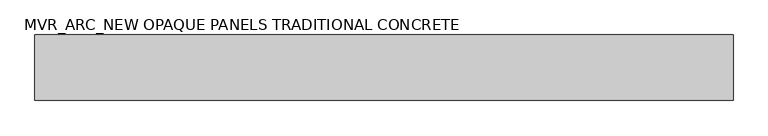
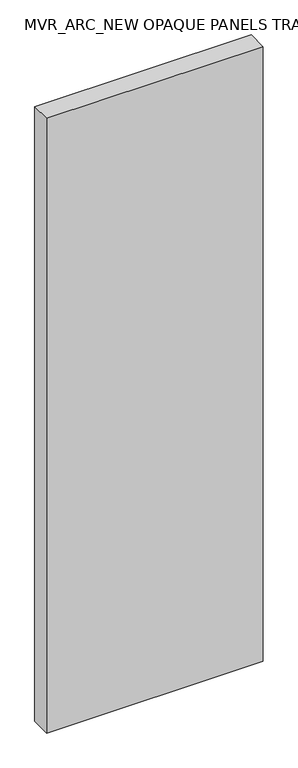
"""IFC4 building model written with IfcOpenShell, lengths in millimetres: plate geometry, MVR_ARC_NEW OPAQUE PANELS TRADITIONAL CONCRETE."""

import ifcopenshell
import ifcopenshell.guid

model = None  # the IFC model being written
_history = None  # IfcOwnerHistory: only IFC2X3 demands one
_inside = {}  # id of a spatial element -> (the spatial element, [elements in it])
_under = {}  # id of a project, library or spatial element -> (it, [spatial elements below it])
_declared = {}  # id of a project -> (the project, [libraries it declares])
_typed = {}  # id of a type object -> (the type object, [elements of that type])
_made_of = {}  # id of a material, layer set ... -> (it, [elements and type objects made of it])


def new_model(schema):
    """Start an empty IFC model of exactly this schema.

    Asked for "IFC4X3", IfcOpenShell would pick the latest addendum, in which some entities
    have other attributes; the version numbers below select the first issue.
    IFC2X3 requires an IfcOwnerHistory on every rooted entity: one is made here for all.
    """
    global model, _history
    if schema == "IFC4X3":
        model = ifcopenshell.file(schema_version=(4, 3, 0, 0))
    else:
        model = ifcopenshell.file(schema=schema)
    _inside.clear()
    _under.clear()
    _declared.clear()
    _typed.clear()
    _made_of.clear()
    _history = None
    if model.schema == "IFC2X3":
        org = make("IfcOrganization", Name="unknown")
        user = make(
            "IfcPersonAndOrganization",
            ThePerson=make("IfcPerson", FamilyName="unknown"),
            TheOrganization=org,
        )
        app = make(
            "IfcApplication",
            ApplicationDeveloper=org,
            Version="unknown",
            ApplicationFullName="unknown",
            ApplicationIdentifier="unknown",
        )
        _history = make(
            "IfcOwnerHistory",
            OwningUser=user,
            OwningApplication=app,
            ChangeAction="ADDED",
            CreationDate=0,
        )
    return model


def make(cls, **values):
    """One entity of the class cls with the attributes given. An attribute that is None is left unset."""
    return model.create_entity(
        cls, **{name: value for name, value in values.items() if value is not None}
    )


def rooted(cls, **values):
    """An entity with a GlobalId (a new one), such as an element, a storey or a relation."""
    return make(cls, GlobalId=ifcopenshell.guid.new(), OwnerHistory=_history, **values)


def si_unit(unit_type, name, prefix=None):
    """IfcSIUnit, for example si_unit("LENGTHUNIT", "METRE", prefix="MILLI")."""
    return make("IfcSIUnit", UnitType=unit_type, Prefix=prefix, Name=name)


def assignment(units):
    """IfcUnitAssignment: the units of a project."""
    return None if units is None else make("IfcUnitAssignment", Units=units)


def point(xyz):
    """IfcCartesianPoint."""
    return None if xyz is None else make("IfcCartesianPoint", Coordinates=xyz)


def direction(xyz):
    """IfcDirection."""
    return None if xyz is None else make("IfcDirection", DirectionRatios=xyz)


def frame(location, z_axis=None, x_axis=None):
    """IfcAxis2Placement3D, a coordinate frame: its origin and axes. An axis left out is left unset."""
    return make(
        "IfcAxis2Placement3D",
        Location=point(location),
        Axis=direction(z_axis),
        RefDirection=direction(x_axis),
    )


def origin():
    """The frame at (0, 0, 0) with its axes left unset."""
    return frame((0.0, 0.0, 0.0))


def origin_with_axes():
    """The frame at (0, 0, 0) with the z axis (0, 0, 1) and the x axis (1, 0, 0) written out."""
    return frame((0.0, 0.0, 0.0), z_axis=(0.0, 0.0, 1.0), x_axis=(1.0, 0.0, 0.0))


def place(relative_to, where):
    """IfcLocalPlacement: puts the frame where relative to a parent placement (None: the world)."""
    return make(
        "IfcLocalPlacement", PlacementRelTo=relative_to, RelativePlacement=where
    )


def context(
    kind, dimensions, precision=None, world=None, true_north=None, identifier=None
):
    """IfcGeometricRepresentationContext, for example the 3D "Model" context."""
    return make(
        "IfcGeometricRepresentationContext",
        ContextIdentifier=identifier,
        ContextType=kind,
        CoordinateSpaceDimension=dimensions,
        Precision=precision,
        WorldCoordinateSystem=world,
        TrueNorth=true_north,
    )


def project(units=None, contexts=None):
    """IfcProject with its units and contexts."""
    return rooted(
        "IfcProject",
        Name="project",
        RepresentationContexts=contexts,
        UnitsInContext=assignment(units),
    )


def spatial(cls, under=None, at=None, **own):
    """A site, building, storey or space (cls), placed at a placement, below another one or the project."""
    s = rooted(cls, ObjectPlacement=at, **own)
    if under is not None:
        _under.setdefault(under.id(), (under, []))[1].append(s)
    return s


def polyline(points):
    """IfcPolyline through the points."""
    return make("IfcPolyline", Points=[point(p) for p in points])


def outline(outer, holes=None, kind="AREA"):
    """IfcArbitraryClosedProfileDef: a profile drawn as a closed curve; with holes, ...WithVoids."""
    if holes is None:
        return make("IfcArbitraryClosedProfileDef", ProfileType=kind, OuterCurve=outer)
    return make(
        "IfcArbitraryProfileDefWithVoids",
        ProfileType=kind,
        OuterCurve=outer,
        InnerCurves=holes,
    )


def extrude(swept, where, along, depth):
    """IfcExtrudedAreaSolid: the profile swept, set in the frame where, extruded along a direction by depth."""
    return make(
        "IfcExtrudedAreaSolid",
        SweptArea=swept,
        Position=where,
        ExtrudedDirection=direction(along),
        Depth=depth,
    )


def shape(context_of_items, identifier, shape_type, items):
    """IfcShapeRepresentation: the items that make up one representation, for example the "Body"."""
    return make(
        "IfcShapeRepresentation",
        ContextOfItems=context_of_items,
        RepresentationIdentifier=identifier,
        RepresentationType=shape_type,
        Items=items,
    )


def source(mapping_origin, context_of_items, identifier, shape_type, items):
    """IfcRepresentationMap: a shape defined once, which mapped items show again and again."""
    return make(
        "IfcRepresentationMap",
        MappingOrigin=mapping_origin,
        MappedRepresentation=shape(context_of_items, identifier, shape_type, items),
    )


def transform(
    local_origin,
    x_axis=None,
    y_axis=None,
    z_axis=None,
    scale=None,
    scale2=None,
    scale3=None,
    uniform=True,
):
    """IfcCartesianTransformationOperator3D, or its non-uniform kind. x_axis, y_axis, z_axis: its Axis1, 2, 3."""
    if uniform:
        return make(
            "IfcCartesianTransformationOperator3D",
            Axis1=direction(x_axis),
            Axis2=direction(y_axis),
            LocalOrigin=point(local_origin),
            Scale=scale,
            Axis3=direction(z_axis),
        )
    return make(
        "IfcCartesianTransformationOperator3DnonUniform",
        Axis1=direction(x_axis),
        Axis2=direction(y_axis),
        LocalOrigin=point(local_origin),
        Scale=scale,
        Axis3=direction(z_axis),
        Scale2=scale2,
        Scale3=scale3,
    )


def mapped(mapping_source, mapping_target):
    """IfcMappedItem: shows the shape of a source again, moved by a transform."""
    return make(
        "IfcMappedItem", MappingSource=mapping_source, MappingTarget=mapping_target
    )


def made_of(thing, what):
    """Note that an element or type object is made of a material, layer set ...; save() writes the relation."""
    if what is not None:
        _made_of.setdefault(what.id(), (what, []))[1].append(thing)
    return thing


def element(
    cls,
    number,
    at=None,
    inside=None,
    cuts=None,
    type_object=None,
    material=None,
    context=None,
    identifier="Body",
    shape_type=None,
    held_by="IfcProductDefinitionShape",
    body=None,
    shapes=None,
    **own,
):
    """One element of the class cls, such as IfcWall. Its Tag is "e" and its number.

    at: its placement. inside: the storey or other place that contains it. cuts: it is an
    opening in that element (IfcRelVoidsElement). A single representation is given by context,
    identifier, shape_type and body (its items); several are given by shapes. held_by: the class
    of the entity that holds the representations. save() writes the other relations.
    """
    e = rooted(cls, Tag="e%d" % number, ObjectPlacement=at, **own)
    if body is not None:
        shapes = [shape(context, identifier, shape_type, body)]
    if shapes is not None:
        e.Representation = make(held_by, Representations=shapes)
    if inside is not None:
        _inside.setdefault(inside.id(), (inside, []))[1].append(e)
    if cuts is not None:
        rooted(
            "IfcRelVoidsElement", RelatingBuildingElement=cuts, RelatedOpeningElement=e
        )
    if type_object is not None:
        _typed.setdefault(type_object.id(), (type_object, []))[1].append(e)
    return made_of(e, material)


def aggregate(whole, parts):
    """IfcRelAggregates: a whole, such as a stair, and the parts it consists of."""
    return rooted("IfcRelAggregates", RelatingObject=whole, RelatedObjects=parts)


def save(model, path):
    """Write the relations noted so far, then the file.

    IfcRelAggregates (storeys below a building ...), IfcRelContainedInSpatialStructure (elements
    in a storey), IfcRelDefinesByType, IfcRelAssociatesMaterial and IfcRelDeclares: one each for
    every whole, place, type object, material and project.
    """
    for whole, parts in _under.values():
        aggregate(whole, parts)
    for where, things in _inside.values():
        rooted(
            "IfcRelContainedInSpatialStructure",
            RelatedElements=things,
            RelatingStructure=where,
        )
    for kind, things in _typed.values():
        rooted("IfcRelDefinesByType", RelatedObjects=things, RelatingType=kind)
    for what, things in _made_of.values():
        rooted("IfcRelAssociatesMaterial", RelatedObjects=things, RelatingMaterial=what)
    for by, libraries in _declared.values():
        rooted("IfcRelDeclares", RelatingContext=by, RelatedDefinitions=libraries)
    model.write(path)


def mvr_arc_new_opaque_panels_traditional_concrete_bff3bd11(model_context):
    return source(origin(), model_context, "Body", "SweptSolid", [
        extrude(outline(polyline([(800.0, -4.0), (-800.0, -4.0), (-800.0, 146.0), (800.0, 146.0), (800.0, -4.0)])), origin_with_axes(), (0.0, 0.0, 1.0), 4800.0),
    ])


if __name__ == "__main__":
    model = new_model("IFC4")
    model_context = context("Model", 3, world=origin())
    ifc_project = project(units=[si_unit("LENGTHUNIT", "METRE", prefix="MILLI")], contexts=[model_context])
    site = spatial("IfcSite", under=ifc_project)
    building = spatial("IfcBuilding", under=site)
    placement = place(None, origin())
    mvr_arc_new_opaque_panels_traditional_concrete_shape = mvr_arc_new_opaque_panels_traditional_concrete_bff3bd11(model_context)
    element("IfcPlate", 1, ObjectType="MVR_ARC_NEW OPAQUE PANELS TRADITIONAL CONCRETE", at=placement, inside=building, context=model_context, shape_type="MappedRepresentation", body=[
        mapped(mvr_arc_new_opaque_panels_traditional_concrete_shape, transform((0.0, 0.0, 0.0), x_axis=(1.0, 0.0, 0.0), y_axis=(0.0, 1.0, 0.0), z_axis=(0.0, 0.0, 1.0))),
    ])
    save(model, "model.ifc")
